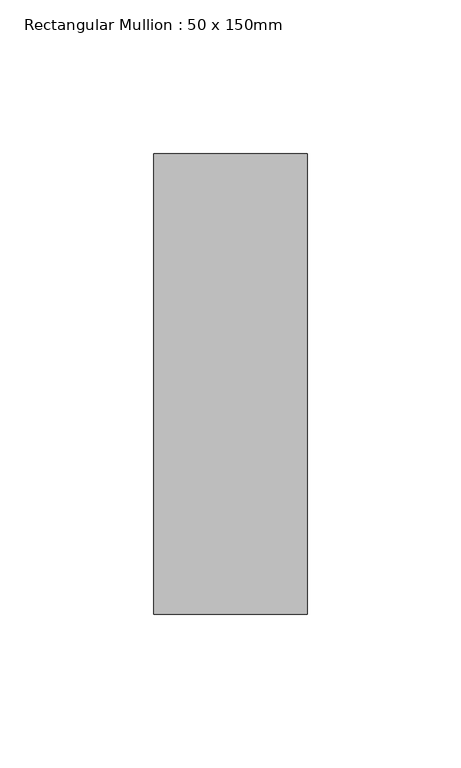
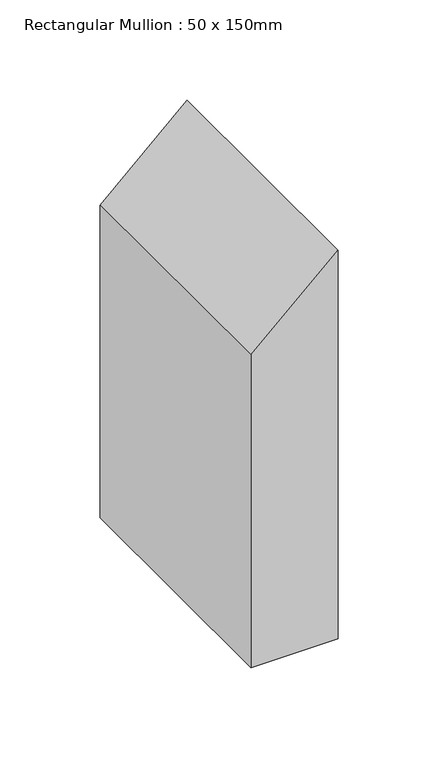
"""IFC4 building model written with IfcOpenShell, lengths in millimetres: member geometry, Rectangular Mullion : 50 x 150mm."""

from ifc_helpers import new_model, si_unit, frame, origin, place, context, project, spatial, polyline, outline, extrude, source, transform, mapped, element, save


def rectangular_mullion_50_x_150mm_2c71ef84(model_context):
    return source(origin(), model_context, "Body", "SweptSolid", [
        extrude(outline(polyline([(0.0, 0.0), (-46.0974348, -50.0), (-236.268142, -50.0), (-236.268142, 0.0), (0.0, 0.0)])), frame((0.0, -75.0, 0.0), z_axis=(0.0, 1.0, 0.0), x_axis=(0.0, 0.0, 1.0)), (0.0, 0.0, 1.0), 150.0),
    ])


if __name__ == "__main__":
    model = new_model("IFC4")
    model_context = context("Model", 3, world=origin())
    ifc_project = project(units=[si_unit("LENGTHUNIT", "METRE", prefix="MILLI")], contexts=[model_context])
    site = spatial("IfcSite", under=ifc_project)
    building = spatial("IfcBuilding", under=site)
    placement = place(None, origin())
    rectangular_mullion_50_x_150mm_shape = rectangular_mullion_50_x_150mm_2c71ef84(model_context)
    element("IfcMember", 1, ObjectType="Rectangular Mullion : 50 x 150mm", at=placement, inside=building, context=model_context, shape_type="MappedRepresentation", body=[
        mapped(rectangular_mullion_50_x_150mm_shape, transform((0.0, 0.0, 0.0), x_axis=(1.0, 0.0, 0.0), y_axis=(0.0, 1.0, 0.0), z_axis=(0.0, 0.0, 1.0))),
    ])
    save(model, "model.ifc")
